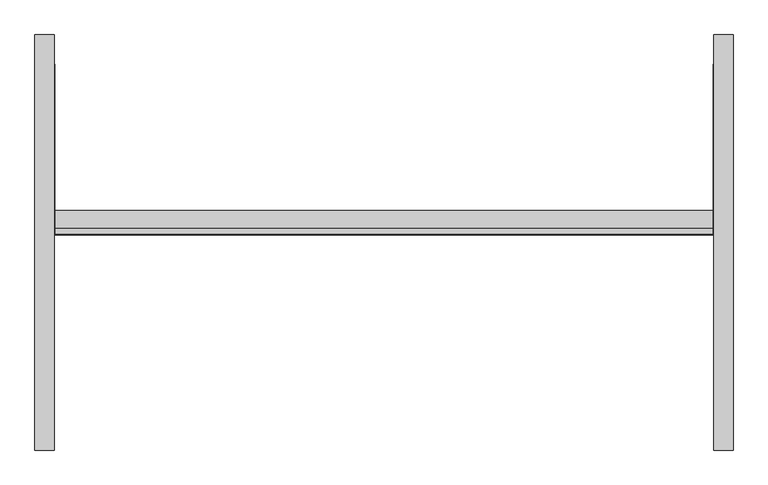
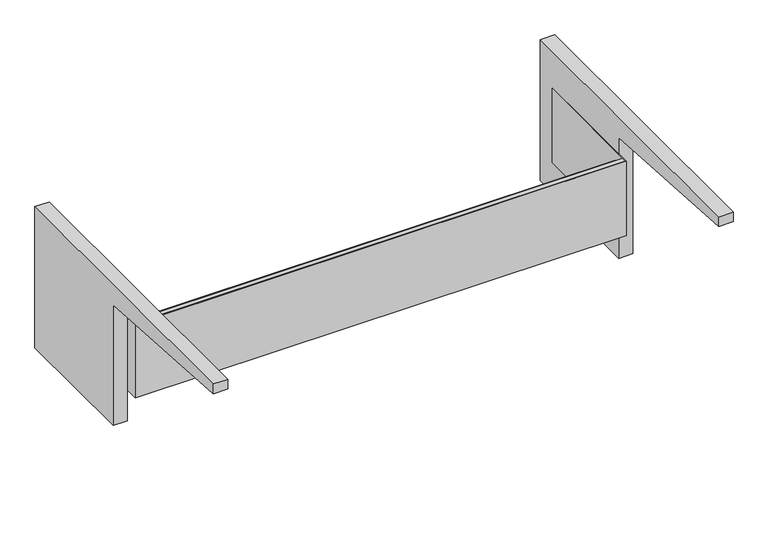
"""IFC4 building model written with IfcOpenShell, lengths in millimetres: furniture geometry."""

from ifc_helpers import new_model, si_unit, point, frame, frame_2d, origin, place, context, project, spatial, polyline, circle_curve, trimmed, segment, composite_curve, outline, extrude, source, transform, mapped, element, save


def furniture_5ed911f4(model_context):
    return source(origin(), model_context, "Body", "SweptSolid", [
        extrude(outline(composite_curve([segment(polyline([(254.0, 704.85), (254.0, 355.6), (-63.5, 355.6), (-63.5, 654.05)]), True, "CONTINUOUS"), segment(trimmed(circle_curve(frame_2d((-464.343904, -2317.7524637)), 2998.7140108), [point((-63.5, 654.05))], [point((-469.9, 680.9563999))], True, "CARTESIAN"), True, "CONTINUOUS"), segment(polyline([(-469.9, 680.9563999), (-469.9, 704.85), (254.0, 704.85)]), True, "CONTINUOUS")], self_intersect=False)), frame((574.675, 0.0, 0.0), z_axis=(1.0, 0.0, 0.0), x_axis=(0.0, 1.0, 0.0)), (0.0, 0.0, 1.0), 33.3375),
        extrude(outline(composite_curve([segment(polyline([(-469.9, 680.9563999), (-469.9, 704.85), (254.0, 704.85), (254.0, 355.6), (-63.5, 355.6), (-63.5, 654.05)]), True, "CONTINUOUS"), segment(trimmed(circle_curve(frame_2d((-464.343904, -2317.7524637)), 2998.7140108), [point((-63.5, 654.05))], [point((-469.9, 680.9563999))], True, "CARTESIAN"), True, "CONTINUOUS")], self_intersect=False)), frame((-608.0125, 0.0, 0.0), z_axis=(1.0, 0.0, 0.0), x_axis=(0.0, 1.0, 0.0)), (0.0, 0.0, 1.0), 33.3375),
        extrude(outline(polyline([(-573.0875, -93.6625), (573.0875, -93.6625), (573.0875, 203.2), (574.675, 203.2), (574.675, -95.25), (-574.675, -95.25), (-574.675, 203.2), (-573.0875, 203.2), (-573.0875, -93.6625)])), frame((0.0, 0.0, 431.1396), z_axis=(0.0, 0.0, 1.0), x_axis=(1.0, 0.0, 0.0)), (0.0, 0.0, 1.0), 184.15),
        extrude(outline(polyline([(-84.1057553, 614.49585), (-93.6625, 614.49585), (-93.6625, 592.27085), (-52.0699988, 592.27085), (-52.0699988, 431.1396), (-95.25, 431.1396), (-95.25, 615.2896), (-83.3120053, 615.2896), (-83.3120053, 608.2791994), (-84.1057553, 608.2791994), (-84.1057553, 614.49585)])), frame((-574.675, 0.0, 0.0), z_axis=(1.0, 0.0, 0.0), x_axis=(0.0, 1.0, 0.0)), (0.0, 0.0, 1.0), 1149.35),
    ])


if __name__ == "__main__":
    model = new_model("IFC4")
    model_context = context("Model", 3, world=origin())
    ifc_project = project(units=[si_unit("LENGTHUNIT", "METRE", prefix="MILLI")], contexts=[model_context])
    site = spatial("IfcSite", under=ifc_project)
    building = spatial("IfcBuilding", under=site)
    placement = place(None, origin())
    furniture_shape = furniture_5ed911f4(model_context)
    element("IfcFurniture", 1, at=placement, inside=building, context=model_context, shape_type="MappedRepresentation", body=[
        mapped(furniture_shape, transform((0.0, 0.0, 0.0), x_axis=(1.0, 0.0, 0.0), y_axis=(0.0, 1.0, 0.0), z_axis=(0.0, 0.0, 1.0))),
    ])
    save(model, "model.ifc")
